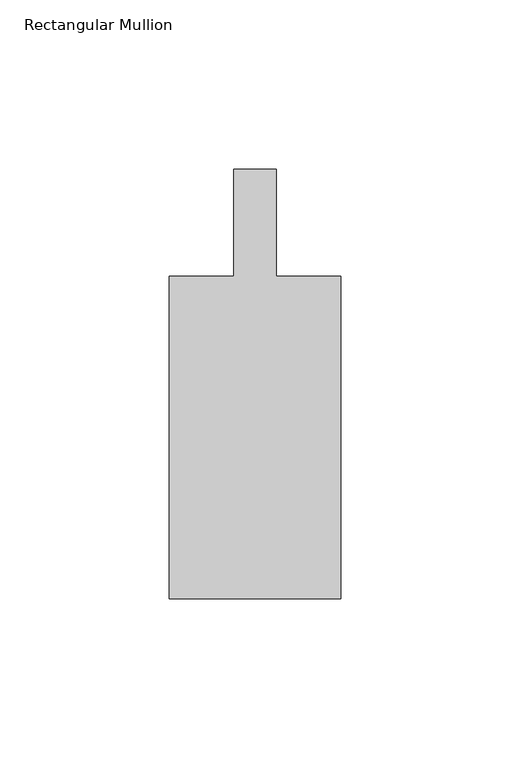
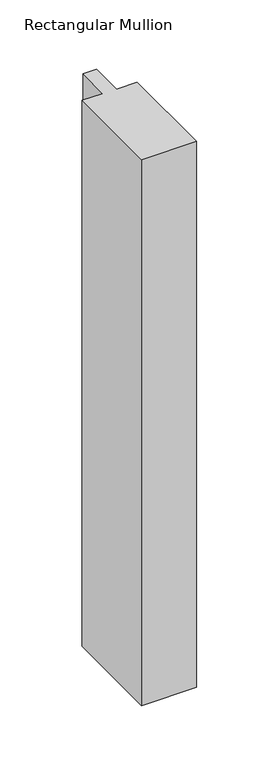
"""IFC4 building model written with IfcOpenShell, lengths in millimetres: member geometry, Rectangular Mullion."""

from ifc_helpers import new_model, si_unit, frame, origin, place, context, project, spatial, polyline, outline, extrude, source, transform, mapped, element, save


def rectangular_mullion_054716f2(model_context):
    return source(origin(), model_context, "Body", "SweptSolid", [
        extrude(outline(polyline([(25.4, -152.4), (-25.4, -152.4), (-25.4, -57.15), (-6.35, -57.15), (-6.35, -25.4), (6.35, -25.4), (6.35, -57.15), (25.4, -57.15), (25.4, -152.4)])), frame((0.0, 0.0, -533.4), z_axis=(0.0, 0.0, 1.0), x_axis=(1.0, 0.0, 0.0)), (0.0, 0.0, 1.0), 533.4),
    ])


if __name__ == "__main__":
    model = new_model("IFC4")
    model_context = context("Model", 3, world=origin())
    ifc_project = project(units=[si_unit("LENGTHUNIT", "METRE", prefix="MILLI")], contexts=[model_context])
    site = spatial("IfcSite", under=ifc_project)
    building = spatial("IfcBuilding", under=site)
    placement = place(None, origin())
    rectangular_mullion_shape = rectangular_mullion_054716f2(model_context)
    element("IfcMember", 1, ObjectType="Rectangular Mullion", at=placement, inside=building, context=model_context, shape_type="MappedRepresentation", body=[
        mapped(rectangular_mullion_shape, transform((0.0, 0.0, 0.0), x_axis=(1.0, 0.0, 0.0), y_axis=(0.0, 1.0, 0.0), z_axis=(0.0, 0.0, 1.0))),
    ])
    save(model, "model.ifc")
